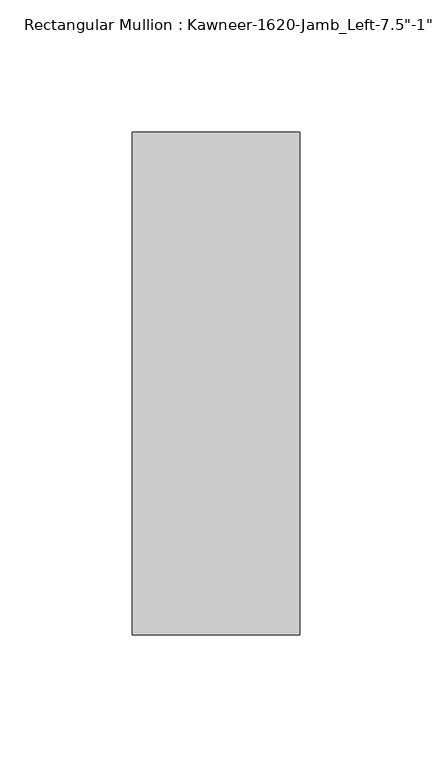
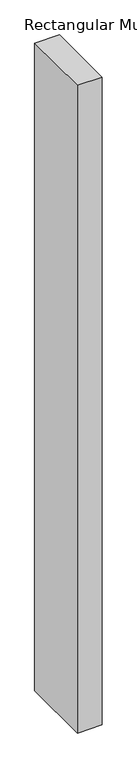
"""IFC4 building model written with IfcOpenShell, lengths in millimetres: member geometry."""

from ifc_helpers import new_model, si_unit, frame, origin, place, context, project, spatial, polyline, outline, extrude, source, transform, mapped, element, save


def member_048bfcb5(model_context):
    return source(origin(), model_context, "Body", "SweptSolid", [
        extrude(outline(polyline([(22.225, -38.1), (-41.275, -38.1), (-41.275, 152.4), (22.225, 152.4), (22.225, -38.1)])), frame((0.0, 0.0, -1765.3), z_axis=(0.0, 0.0, 1.0), x_axis=(1.0, 0.0, 0.0)), (0.0, 0.0, 1.0), 1765.3),
    ])


if __name__ == "__main__":
    model = new_model("IFC4")
    model_context = context("Model", 3, world=origin())
    ifc_project = project(units=[si_unit("LENGTHUNIT", "METRE", prefix="MILLI")], contexts=[model_context])
    site = spatial("IfcSite", under=ifc_project)
    building = spatial("IfcBuilding", under=site)
    placement = place(None, origin())
    member_shape = member_048bfcb5(model_context)
    element("IfcMember", 1, ObjectType="Rectangular Mullion : Kawneer-1620-Jamb_Left-7.5\"-1\"Infill", at=placement, inside=building, context=model_context, shape_type="MappedRepresentation", body=[
        mapped(member_shape, transform((0.0, 0.0, 0.0), x_axis=(1.0, 0.0, 0.0), y_axis=(0.0, 1.0, 0.0), z_axis=(0.0, 0.0, 1.0))),
    ])
    save(model, "model.ifc")
